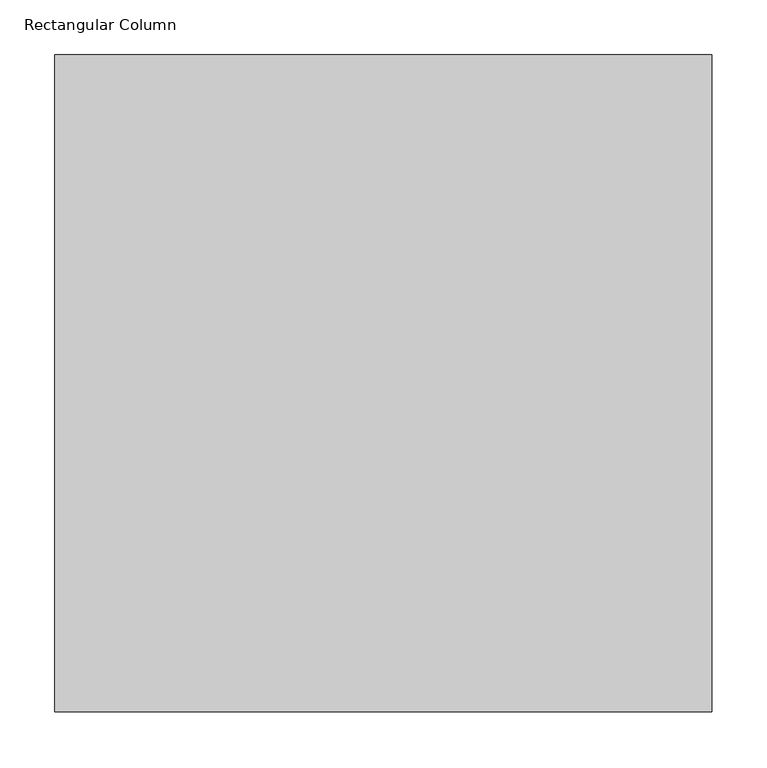
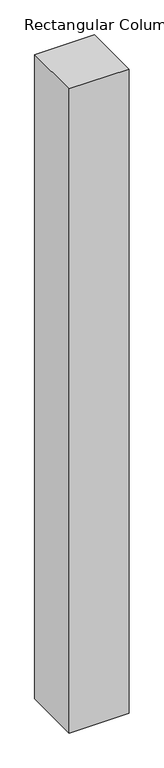
"""IFC4 building model written with IfcOpenShell, lengths in millimetres: column geometry, Rectangular Column."""

from ifc_helpers import new_model, si_unit, origin, origin_with_axes, place, context, project, spatial, polyline, outline, extrude, source, transform, mapped, element, save


def rectangular_column_c3fb4cff(model_context):
    return source(origin(), model_context, "Body", "SweptSolid", [
        extrude(outline(polyline([(300.0, 300.0), (300.0, -300.0), (-300.0, -300.0), (-300.0, 300.0), (300.0, 300.0)])), origin_with_axes(), (0.0, 0.0, 1.0), 6840.0),
    ])


if __name__ == "__main__":
    model = new_model("IFC4")
    model_context = context("Model", 3, world=origin())
    ifc_project = project(units=[si_unit("LENGTHUNIT", "METRE", prefix="MILLI")], contexts=[model_context])
    site = spatial("IfcSite", under=ifc_project)
    building = spatial("IfcBuilding", under=site)
    placement = place(None, origin())
    rectangular_column_shape = rectangular_column_c3fb4cff(model_context)
    element("IfcColumn", 1, ObjectType="Rectangular Column", at=placement, inside=building, context=model_context, shape_type="MappedRepresentation", body=[
        mapped(rectangular_column_shape, transform((0.0, 0.0, 0.0), x_axis=(1.0, 0.0, 0.0), y_axis=(0.0, 1.0, 0.0), z_axis=(0.0, 0.0, 1.0))),
    ])
    save(model, "model.ifc")
